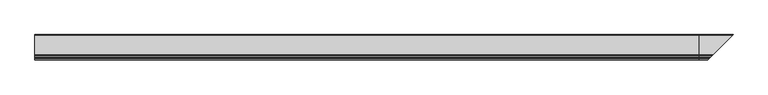
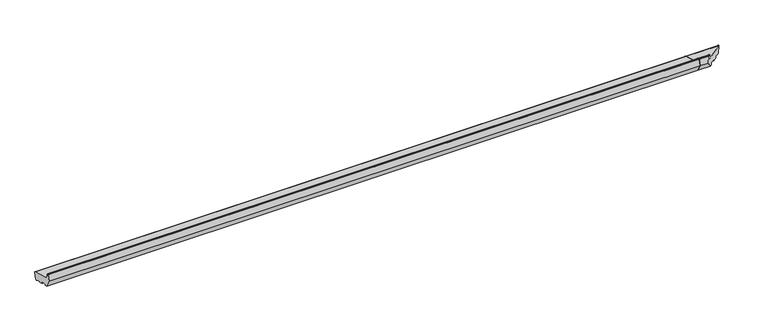
"""IFC4 building model written with IfcOpenShell, lengths in millimetres: proxy geometry."""

from ifc_helpers import new_model, si_unit, point, frame, frame_2d, origin, place, context, project, spatial, polyline, circle_curve, ellipse_curve, trimmed, segment, composite_curve, outline, extrude, source, transform, mapped, element, save
from ifc_brep_helpers import plane_surface, cylinder_surface, revolved_surface, advanced_brep


def generic_models_e72e210e(model_context):
    return source(origin(), model_context, "Body", "SolidModel", [
        advanced_brep(
        [(2695.0, -47.1626434, 57.797826), (2695.0, 31.5949866, 36.6947826), (2695.0, 33.716307, 33.020548), (2695.0, 26.9870118, 7.9064765), (2695.0, 23.3127772, 5.7851562), (2695.0, 20.4149997, 6.5616133), (2695.0, 6.4292308, 15.095059), (2695.0, 4.9424512, 14.5002322), (2695.0, 3.9942607, 10.9615371), (2695.0, 2.7695158, 10.2544303), (2695.0, -14.6171491, 14.9131731), (2695.0, -15.3242559, 16.137918), (2695.0, -14.2889797, 20.0016213), (2695.0, -14.9960865, 21.2263662), (2695.0, -38.1783063, 27.4380232), (2695.0, -39.4030512, 26.7309165), (2695.0, -40.4383273, 22.8672132), (2695.0, -41.6630722, 22.1601064), (2695.0, -51.3223305, 24.7482968), (2695.0, -69.0, 55.3669186), (2695.0, -62.4291321, 79.8897315), (2695.0, -60.9802434, 81.0015029), (2695.0, -57.6368689, 81.0015029), (2695.0, -56.1879801, 79.8897315), (2695.0, -51.4052841, 62.0404667), (2750.8373566, -47.1626434, 57.797826), (2829.5949866, 31.5949866, 36.6947826), (2831.716307, 33.716307, 33.020548), (2824.9870118, 26.9870118, 7.9064765), (2821.3127772, 23.3127772, 5.7851562), (2818.4149997, 20.4149997, 6.5616133), (2804.4292308, 6.4292308, 15.095059), (2802.9424512, 4.9424512, 14.5002322), (2801.9942607, 3.9942607, 10.9615371), (2800.7695158, 2.7695158, 10.2544303), (2783.3828509, -14.6171491, 14.9131731), (2782.6757441, -15.3242559, 16.137918), (2783.7110203, -14.2889797, 20.0016213), (2783.0039135, -14.9960865, 21.2263662), (2759.8216937, -38.1783063, 27.4380232), (2758.5969488, -39.4030512, 26.7309165), (2757.5616727, -40.4383273, 22.8672132), (2756.3369278, -41.6630722, 22.1601064), (2746.6776695, -51.3223305, 24.7482968), (2729.0, -69.0, 55.3669186), (2735.5708679, -62.4291321, 79.8897315), (2737.0197566, -60.9802434, 81.0015029), (2740.3631311, -57.6368689, 81.0015029), (2741.8120199, -56.1879801, 79.8897315), (2746.5947159, -51.4052841, 62.0404667)],
        [
            (0, 1),
            (1, 2, circle_curve(frame((2695.0, 30.8185295, 33.7970051), z_axis=(-1.0, 0.0, 0.0), x_axis=(0.0, 0.9659258262890683, -0.25881904510252074)), 3.0)),
            (2, 3),
            (3, 4, circle_curve(frame((2695.0, 24.0892343, 8.6829337), z_axis=(-1.0, 0.0, 0.0), x_axis=(0.0, -0.2588190451025206, -0.9659258262890683)), 3.0)),
            (4, 5),
            (5, 6),
            (6, 7, circle_curve(frame((2695.0, 5.908377, 14.2414131), z_axis=(1.0, 0.0, 0.0), x_axis=(0.0, -0.9659258262890681, 0.25881904510252157)), 1.0)),
            (7, 8),
            (8, 9, circle_curve(frame((2695.0, 3.0283348, 11.2203561), z_axis=(-1.0, 0.0, 0.0), x_axis=(0.0, -0.25881904510252074, -0.9659258262890683)), 1.0)),
            (9, 10),
            (10, 11, circle_curve(frame((2695.0, -14.35833, 15.8790989), z_axis=(-1.0, 0.0, 0.0), x_axis=(0.0, -0.9659258262890683, 0.25881904510252074)), 1.0)),
            (11, 12),
            (12, 13, circle_curve(frame((2695.0, -15.2549055, 20.2604403), z_axis=(1.0, 0.0, 0.0), x_axis=(0.0, 0.25881904510252074, 0.9659258262890683)), 1.0)),
            (13, 14),
            (14, 15, circle_curve(frame((2695.0, -38.4371253, 26.4720974), z_axis=(1.0, 0.0, 0.0), x_axis=(0.0, -0.9659258262890683, 0.25881904510252074)), 1.0)),
            (15, 16),
            (16, 17, circle_curve(frame((2695.0, -41.4042532, 23.1260322), z_axis=(-1.0, 0.0, 0.0), x_axis=(0.0, -0.25881904510252074, -0.9659258262890683)), 1.0)),
            (17, 18),
            (18, 19),
            (19, 20),
            (20, 21, circle_curve(frame((2695.0, -60.9802434, 79.5015029), z_axis=(-1.0, 0.0, 0.0), x_axis=(0.0, 0.0, 1.0)), 1.5)),
            (21, 22),
            (22, 23, circle_curve(frame((2695.0, -57.6368689, 79.5015029), z_axis=(-1.0, 0.0, 0.0), x_axis=(0.0, 0.9659258262890683, 0.25881904510252074)), 1.5)),
            (23, 24),
            (24, 0, circle_curve(frame((2695.0, -45.6097291, 63.5933809), z_axis=(1.0, 0.0, 0.0), x_axis=(0.0, -0.25881904510252074, -0.9659258262890683)), 6.0)),
            (0, 25),
            (25, 26),
            (26, 1),
            (26, 27, ellipse_curve(frame((2828.8185295, 30.8185295, 33.7970051), z_axis=(-0.7071067811865491, 0.707106781186546, 0.0), x_axis=(0.7071067811865459, 0.7071067811865491, 0.0)), 4.2426407, 3.0)),
            (27, 2),
            (27, 28),
            (28, 3),
            (28, 29, ellipse_curve(frame((2822.0892343, 24.0892343, 8.6829337), z_axis=(-0.7071067811865491, 0.707106781186546, 0.0), x_axis=(0.7071067811865459, 0.7071067811865491, 0.0)), 4.2426407, 3.0)),
            (29, 4),
            (29, 30),
            (30, 5),
            (30, 31),
            (31, 6),
            (31, 32, ellipse_curve(frame((2803.908377, 5.908377, 14.2414131), z_axis=(0.7071067811865491, -0.707106781186546, 0.0), x_axis=(-0.7071067811865459, -0.7071067811865491, 0.0)), 1.4142136, 1.0)),
            (32, 7),
            (32, 33),
            (33, 8),
            (33, 34, ellipse_curve(frame((2801.0283348, 3.0283348, 11.2203561), z_axis=(-0.7071067811865491, 0.707106781186546, 0.0), x_axis=(0.7071067811865459, 0.7071067811865491, 0.0)), 1.4142136, 1.0)),
            (34, 9),
            (34, 35),
            (35, 10),
            (35, 36, ellipse_curve(frame((2783.64167, -14.35833, 15.8790989), z_axis=(-0.7071067811865491, 0.707106781186546, 0.0), x_axis=(0.7071067811865459, 0.7071067811865491, 0.0)), 1.4142136, 1.0)),
            (36, 11),
            (36, 37),
            (37, 12),
            (37, 38, ellipse_curve(frame((2782.7450945, -15.2549055, 20.2604403), z_axis=(0.7071067811865491, -0.707106781186546, 0.0), x_axis=(-0.7071067811865459, -0.7071067811865491, 0.0)), 1.4142136, 1.0)),
            (38, 13),
            (38, 39),
            (39, 14),
            (39, 40, ellipse_curve(frame((2759.5628747, -38.4371253, 26.4720974), z_axis=(0.7071067811865491, -0.707106781186546, 0.0), x_axis=(-0.7071067811865459, -0.7071067811865491, 0.0)), 1.4142136, 1.0)),
            (40, 15),
            (40, 41),
            (41, 16),
            (41, 42, ellipse_curve(frame((2756.5957468, -41.4042532, 23.1260322), z_axis=(-0.7071067811865491, 0.707106781186546, 0.0), x_axis=(0.7071067811865459, 0.7071067811865491, 0.0)), 1.4142136, 1.0)),
            (42, 17),
            (42, 43),
            (43, 18),
            (43, 44),
            (44, 19),
            (44, 45),
            (45, 20),
            (45, 46, ellipse_curve(frame((2737.0197566, -60.9802434, 79.5015029), z_axis=(-0.7071067811865491, 0.707106781186546, 0.0), x_axis=(0.7071067811865459, 0.7071067811865491, 0.0)), 2.1213203, 1.5)),
            (46, 21),
            (46, 47),
            (47, 22),
            (47, 48, ellipse_curve(frame((2740.3631311, -57.6368689, 79.5015029), z_axis=(-0.7071067811865491, 0.707106781186546, 0.0), x_axis=(0.7071067811865459, 0.7071067811865491, 0.0)), 2.1213203, 1.5)),
            (48, 23),
            (48, 49),
            (49, 24),
            (49, 25, ellipse_curve(frame((2752.3902709, -45.6097291, 63.5933809), z_axis=(0.7071067811865491, -0.707106781186546, 0.0), x_axis=(-0.7071067811865459, -0.7071067811865491, 0.0)), 8.4852814, 6.0)),
        ],
        [
            plane_surface(frame((2695.0, -0.0129882, 0.0), z_axis=(-1.0, 0.0, 0.0), x_axis=(0.0, 0.0, 1.0))),
            plane_surface(frame((2831.9599509, -47.1626434, 57.797826), z_axis=(0.0, 0.25881904510252074, 0.9659258262890683), x_axis=(-1.0, 0.0, 0.0))),
            cylinder_surface(frame((2831.9599509, 30.8185295, 33.7970051), z_axis=(1.0, 0.0, 0.0), x_axis=(0.0, 0.9659258262890683, -0.25881904510252074)), 3.0),
            plane_surface(frame((2831.9599509, 33.716307, 33.020548), z_axis=(0.0, 0.9659258262890683, -0.25881904510252074), x_axis=(-1.0, 0.0, 0.0))),
            cylinder_surface(frame((2831.9599509, 24.0892343, 8.6829337), z_axis=(1.0, 0.0, 0.0), x_axis=(0.0, -0.2588190451025206, -0.9659258262890683)), 3.0),
            plane_surface(frame((2831.9599509, 23.3127772, 5.7851562), z_axis=(0.0, -0.25881904510252074, -0.9659258262890683), x_axis=(-1.0, 0.0, 0.0))),
            plane_surface(frame((2831.9599509, 20.4149997, 6.5616133), z_axis=(0.0, -0.5208538026734643, -0.8536458962828745), x_axis=(-1.0, 0.0, 0.0))),
            revolved_surface(polyline([(2695.0, 4.942451173710932, 14.500232145102522), (2804.9083770266066, 4.942451173710932, 14.500232145102522)]), (2831.9599509, 5.908377, 14.2414131), (-1.0, 0.0, 0.0)),
            plane_surface(frame((2831.9599509, 4.9424512, 14.5002322), z_axis=(0.0, 0.9659258262890683, -0.25881904510252074), x_axis=(-1.0, 0.0, 0.0))),
            cylinder_surface(frame((2831.9599509, 3.0283348, 11.2203561), z_axis=(1.0, 0.0, 0.0), x_axis=(0.0, -0.25881904510252074, -0.9659258262890683)), 1.0),
            plane_surface(frame((2831.9599509, 2.7695158, 10.2544303), z_axis=(0.0, -0.25881904510252074, -0.9659258262890683), x_axis=(-1.0, 0.0, 0.0))),
            cylinder_surface(frame((2831.9599509, -14.35833, 15.8790989), z_axis=(1.0, 0.0, 0.0), x_axis=(0.0, -0.9659258262890683, 0.25881904510252074)), 1.0),
            plane_surface(frame((2831.9599509, -15.3242559, 16.137918), z_axis=(0.0, -0.9659258262890683, 0.25881904510252074), x_axis=(-1.0, 0.0, 0.0))),
            revolved_surface(polyline([(2695.0, -14.99608645489748, 21.22636612628907), (2783.7450945266064, -14.99608645489748, 21.22636612628907)]), (2831.9599509, -15.2549055, 20.2604403), (-1.0, 0.0, 0.0)),
            plane_surface(frame((2831.9599509, -14.9960865, 21.2263662), z_axis=(0.0, -0.25881904510252074, -0.9659258262890683), x_axis=(-1.0, 0.0, 0.0))),
            revolved_surface(polyline([(2695.0, -39.403051126289064, 26.73091644510252), (2760.5628747266064, -39.403051126289064, 26.73091644510252)]), (2831.9599509, -38.4371253, 26.4720974), (-1.0, 0.0, 0.0)),
            plane_surface(frame((2831.9599509, -39.4030512, 26.7309165), z_axis=(0.0, 0.9659258262890683, -0.25881904510252074), x_axis=(-1.0, 0.0, 0.0))),
            cylinder_surface(frame((2831.9599509, -41.4042532, 23.1260322), z_axis=(1.0, 0.0, 0.0), x_axis=(0.0, -0.25881904510252074, -0.9659258262890683)), 1.0),
            plane_surface(frame((2831.9599509, -41.6630722, 22.1601064), z_axis=(0.0, -0.25881904510252074, -0.9659258262890683), x_axis=(-1.0, 0.0, 0.0))),
            plane_surface(frame((2831.9599509, -51.3223305, 24.7482968), z_axis=(0.0, -0.8660254037844388, -0.4999999999999997), x_axis=(-1.0, 0.0, 0.0))),
            plane_surface(frame((2831.9599509, -69.0, 55.3669186), z_axis=(0.0, -0.9659258262890683, 0.25881904510252074), x_axis=(-1.0, 0.0, 0.0))),
            cylinder_surface(frame((2831.9599509, -60.9802434, 79.5015029), z_axis=(1.0, 0.0, 0.0), x_axis=(0.0, 0.0, 1.0)), 1.5),
            plane_surface(frame((2831.9599509, -60.9802434, 81.0015029), z_axis=(0.0, 0.0, 1.0), x_axis=(-1.0, 0.0, 0.0))),
            cylinder_surface(frame((2831.9599509, -57.6368689, 79.5015029), z_axis=(1.0, 0.0, 0.0), x_axis=(0.0, 0.9659258262890683, 0.25881904510252074)), 1.5),
            plane_surface(frame((2831.9599509, -56.1879801, 79.8897315), z_axis=(0.0, 0.9659258262890689, 0.2588190451025189), x_axis=(-1.0, 0.0, 0.0))),
            revolved_surface(polyline([(2695.0, -47.16264337061513, 57.79782594226559), (2758.390270918216, -47.16264337061513, 57.79782594226559)]), (2831.9599509, -45.6097291, 63.5933809), (-1.0, 0.0, 0.0)),
            plane_surface(frame((2687.8748127, -110.1251873, 86.7951871), z_axis=(0.7071067811865491, -0.707106781186546, 0.0), x_axis=(0.0, 0.0, -1.0))),
        ],
        [
            (0, [[1, 2, 3, 4, 5, 6, 7, 8, 9, 10, 11, 12, 13, 14, 15, 16, 17, 18, 19, 20, 21, 22, 23, 24, 25]]),
            (1, [[26, 27, 28, -1]]),
            (2, [[-28, 29, 30, -2]]),
            (3, [[-30, 31, 32, -3]]),
            (4, [[-32, 33, 34, -4]]),
            (5, [[-34, 35, 36, -5]]),
            (6, [[-36, 37, 38, -6]]),
            (7, [[-38, 39, 40, -7]]),
            (8, [[-40, 41, 42, -8]]),
            (9, [[-42, 43, 44, -9]]),
            (10, [[-44, 45, 46, -10]]),
            (11, [[-46, 47, 48, -11]]),
            (12, [[-48, 49, 50, -12]]),
            (13, [[-50, 51, 52, -13]]),
            (14, [[-52, 53, 54, -14]]),
            (15, [[-54, 55, 56, -15]]),
            (16, [[-56, 57, 58, -16]]),
            (17, [[-58, 59, 60, -17]]),
            (18, [[-60, 61, 62, -18]]),
            (19, [[-62, 63, 64, -19]]),
            (20, [[-64, 65, 66, -20]]),
            (21, [[-66, 67, 68, -21]]),
            (22, [[-68, 69, 70, -22]]),
            (23, [[-70, 71, 72, -23]]),
            (24, [[-72, 73, 74, -24]]),
            (25, [[-74, 75, -26, -25]]),
            (26, [[-75, -73, -71, -69, -67, -65, -63, -61, -59, -57, -55, -53, -51, -49, -47, -45, -43, -41, -39, -37, -35, -33, -31, -29, -27]]),
        ],
    ),
        extrude(outline(composite_curve([segment(polyline([(-47.1626434, 57.797826), (31.5949866, 36.6947826)]), True, "CONTINUOUS"), segment(trimmed(circle_curve(frame_2d((30.8185295, 33.7970051)), 3.0), [point((31.5949866, 36.6947826))], [point((33.716307, 33.020548))], False, "CARTESIAN"), True, "CONTINUOUS"), segment(polyline([(33.716307, 33.020548), (26.9870118, 7.9064765)]), True, "CONTINUOUS"), segment(trimmed(circle_curve(frame_2d((24.0892343, 8.6829337)), 3.0), [point((26.9870118, 7.9064765))], [point((23.3127772, 5.7851562))], False, "CARTESIAN"), True, "CONTINUOUS"), segment(polyline([(23.3127772, 5.7851562), (20.4149997, 6.5616133), (6.4292308, 15.095059)]), True, "CONTINUOUS"), segment(trimmed(circle_curve(frame_2d((5.908377, 14.2414131)), 1.0), [point((6.4292308, 15.095059))], [point((4.9424512, 14.5002322))], True, "CARTESIAN"), True, "CONTINUOUS"), segment(polyline([(4.9424512, 14.5002322), (3.9942607, 10.9615371)]), True, "CONTINUOUS"), segment(trimmed(circle_curve(frame_2d((3.0283348, 11.2203561)), 1.0), [point((3.9942607, 10.9615371))], [point((2.7695158, 10.2544303))], False, "CARTESIAN"), True, "CONTINUOUS"), segment(polyline([(2.7695158, 10.2544303), (-14.6171491, 14.9131731)]), True, "CONTINUOUS"), segment(trimmed(circle_curve(frame_2d((-14.35833, 15.8790989)), 1.0), [point((-14.6171491, 14.9131731))], [point((-15.3242559, 16.137918))], False, "CARTESIAN"), True, "CONTINUOUS"), segment(polyline([(-15.3242559, 16.137918), (-14.2889797, 20.0016213)]), True, "CONTINUOUS"), segment(trimmed(circle_curve(frame_2d((-15.2549055, 20.2604403)), 1.0), [point((-14.2889797, 20.0016213))], [point((-14.9960865, 21.2263662))], True, "CARTESIAN"), True, "CONTINUOUS"), segment(polyline([(-14.9960865, 21.2263662), (-38.1783063, 27.4380232)]), True, "CONTINUOUS"), segment(trimmed(circle_curve(frame_2d((-38.4371253, 26.4720974)), 1.0), [point((-38.1783063, 27.4380232))], [point((-39.4030512, 26.7309165))], True, "CARTESIAN"), True, "CONTINUOUS"), segment(polyline([(-39.4030512, 26.7309165), (-40.4383273, 22.8672132)]), True, "CONTINUOUS"), segment(trimmed(circle_curve(frame_2d((-41.4042532, 23.1260322)), 1.0), [point((-40.4383273, 22.8672132))], [point((-41.6630722, 22.1601064))], False, "CARTESIAN"), True, "CONTINUOUS"), segment(polyline([(-41.6630722, 22.1601064), (-51.3223305, 24.7482968), (-69.0, 55.3669186), (-62.4291321, 79.8897315)]), True, "CONTINUOUS"), segment(trimmed(circle_curve(frame_2d((-60.9802434, 79.5015029)), 1.5), [point((-62.4291321, 79.8897315))], [point((-60.9802434, 81.0015029))], False, "CARTESIAN"), True, "CONTINUOUS"), segment(polyline([(-60.9802434, 81.0015029), (-57.6368689, 81.0015029)]), True, "CONTINUOUS"), segment(trimmed(circle_curve(frame_2d((-57.6368689, 79.5015029)), 1.5), [point((-57.6368689, 81.0015029))], [point((-56.1879801, 79.8897315))], False, "CARTESIAN"), True, "CONTINUOUS"), segment(polyline([(-56.1879801, 79.8897315), (-51.4052841, 62.0404667)]), True, "CONTINUOUS"), segment(trimmed(circle_curve(frame_2d((-45.6097291, 63.5933809)), 6.0), [point((-51.4052841, 62.0404667))], [point((-47.1626434, 57.797826))], True, "CARTESIAN"), True, "CONTINUOUS")], self_intersect=False)), frame((0.0, 0.0, 0.0), z_axis=(1.0, 0.0, 0.0), x_axis=(0.0, 1.0, 0.0)), (0.0, 0.0, 1.0), 2695.0),
    ])


if __name__ == "__main__":
    model = new_model("IFC4")
    model_context = context("Model", 3, world=origin())
    ifc_project = project(units=[si_unit("LENGTHUNIT", "METRE", prefix="MILLI")], contexts=[model_context])
    site = spatial("IfcSite", under=ifc_project)
    building = spatial("IfcBuilding", under=site)
    placement = place(None, origin())
    generic_models_shape = generic_models_e72e210e(model_context)
    element("IfcBuildingElementProxy", 1, Name="Generic Models", at=placement, inside=building, context=model_context, shape_type="MappedRepresentation", body=[
        mapped(generic_models_shape, transform((0.0, 0.0, 0.0), x_axis=(1.0, 0.0, 0.0), y_axis=(0.0, 1.0, 0.0), z_axis=(0.0, 0.0, 1.0))),
    ])
    save(model, "model.ifc")
